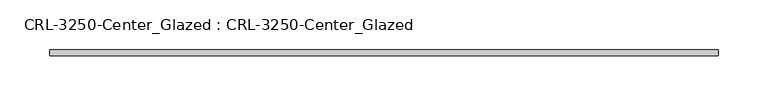
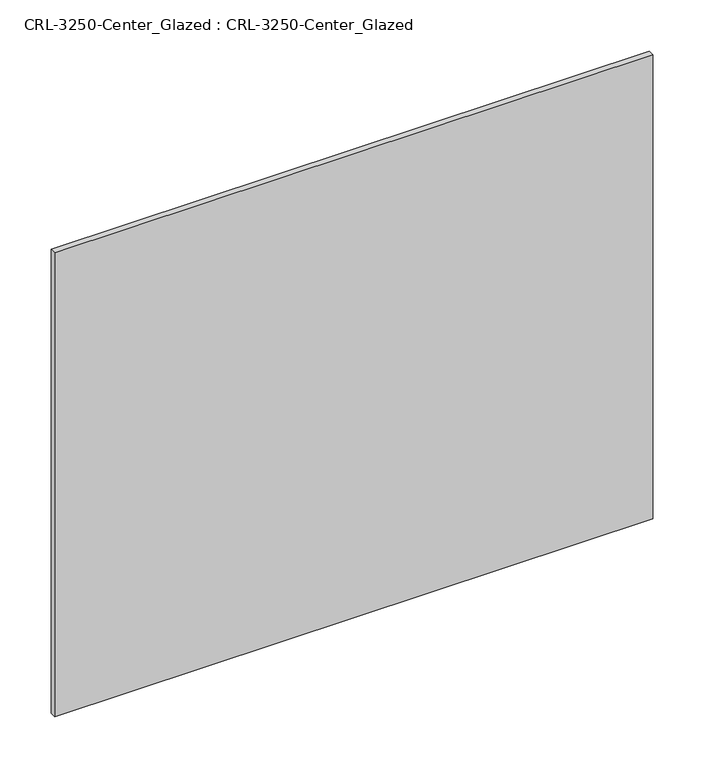
"""IFC4 building model written with IfcOpenShell, lengths in millimetres: plate geometry, CRL-3250-Center_Glazed : CRL-3250-Center_Glazed."""

import ifcopenshell
import ifcopenshell.guid

model = None  # the IFC model being written
_history = None  # IfcOwnerHistory: only IFC2X3 demands one
_inside = {}  # id of a spatial element -> (the spatial element, [elements in it])
_under = {}  # id of a project, library or spatial element -> (it, [spatial elements below it])
_declared = {}  # id of a project -> (the project, [libraries it declares])
_typed = {}  # id of a type object -> (the type object, [elements of that type])
_made_of = {}  # id of a material, layer set ... -> (it, [elements and type objects made of it])


def new_model(schema):
    """Start an empty IFC model of exactly this schema.

    Asked for "IFC4X3", IfcOpenShell would pick the latest addendum, in which some entities
    have other attributes; the version numbers below select the first issue.
    IFC2X3 requires an IfcOwnerHistory on every rooted entity: one is made here for all.
    """
    global model, _history
    if schema == "IFC4X3":
        model = ifcopenshell.file(schema_version=(4, 3, 0, 0))
    else:
        model = ifcopenshell.file(schema=schema)
    _inside.clear()
    _under.clear()
    _declared.clear()
    _typed.clear()
    _made_of.clear()
    _history = None
    if model.schema == "IFC2X3":
        org = make("IfcOrganization", Name="unknown")
        user = make(
            "IfcPersonAndOrganization",
            ThePerson=make("IfcPerson", FamilyName="unknown"),
            TheOrganization=org,
        )
        app = make(
            "IfcApplication",
            ApplicationDeveloper=org,
            Version="unknown",
            ApplicationFullName="unknown",
            ApplicationIdentifier="unknown",
        )
        _history = make(
            "IfcOwnerHistory",
            OwningUser=user,
            OwningApplication=app,
            ChangeAction="ADDED",
            CreationDate=0,
        )
    return model


def make(cls, **values):
    """One entity of the class cls with the attributes given. An attribute that is None is left unset."""
    return model.create_entity(
        cls, **{name: value for name, value in values.items() if value is not None}
    )


def rooted(cls, **values):
    """An entity with a GlobalId (a new one), such as an element, a storey or a relation."""
    return make(cls, GlobalId=ifcopenshell.guid.new(), OwnerHistory=_history, **values)


def si_unit(unit_type, name, prefix=None):
    """IfcSIUnit, for example si_unit("LENGTHUNIT", "METRE", prefix="MILLI")."""
    return make("IfcSIUnit", UnitType=unit_type, Prefix=prefix, Name=name)


def assignment(units):
    """IfcUnitAssignment: the units of a project."""
    return None if units is None else make("IfcUnitAssignment", Units=units)


def point(xyz):
    """IfcCartesianPoint."""
    return None if xyz is None else make("IfcCartesianPoint", Coordinates=xyz)


def direction(xyz):
    """IfcDirection."""
    return None if xyz is None else make("IfcDirection", DirectionRatios=xyz)


def frame(location, z_axis=None, x_axis=None):
    """IfcAxis2Placement3D, a coordinate frame: its origin and axes. An axis left out is left unset."""
    return make(
        "IfcAxis2Placement3D",
        Location=point(location),
        Axis=direction(z_axis),
        RefDirection=direction(x_axis),
    )


def origin():
    """The frame at (0, 0, 0) with its axes left unset."""
    return frame((0.0, 0.0, 0.0))


def origin_with_axes():
    """The frame at (0, 0, 0) with the z axis (0, 0, 1) and the x axis (1, 0, 0) written out."""
    return frame((0.0, 0.0, 0.0), z_axis=(0.0, 0.0, 1.0), x_axis=(1.0, 0.0, 0.0))


def place(relative_to, where):
    """IfcLocalPlacement: puts the frame where relative to a parent placement (None: the world)."""
    return make(
        "IfcLocalPlacement", PlacementRelTo=relative_to, RelativePlacement=where
    )


def context(
    kind, dimensions, precision=None, world=None, true_north=None, identifier=None
):
    """IfcGeometricRepresentationContext, for example the 3D "Model" context."""
    return make(
        "IfcGeometricRepresentationContext",
        ContextIdentifier=identifier,
        ContextType=kind,
        CoordinateSpaceDimension=dimensions,
        Precision=precision,
        WorldCoordinateSystem=world,
        TrueNorth=true_north,
    )


def project(units=None, contexts=None):
    """IfcProject with its units and contexts."""
    return rooted(
        "IfcProject",
        Name="project",
        RepresentationContexts=contexts,
        UnitsInContext=assignment(units),
    )


def spatial(cls, under=None, at=None, **own):
    """A site, building, storey or space (cls), placed at a placement, below another one or the project."""
    s = rooted(cls, ObjectPlacement=at, **own)
    if under is not None:
        _under.setdefault(under.id(), (under, []))[1].append(s)
    return s


def polyline(points):
    """IfcPolyline through the points."""
    return make("IfcPolyline", Points=[point(p) for p in points])


def outline(outer, holes=None, kind="AREA"):
    """IfcArbitraryClosedProfileDef: a profile drawn as a closed curve; with holes, ...WithVoids."""
    if holes is None:
        return make("IfcArbitraryClosedProfileDef", ProfileType=kind, OuterCurve=outer)
    return make(
        "IfcArbitraryProfileDefWithVoids",
        ProfileType=kind,
        OuterCurve=outer,
        InnerCurves=holes,
    )


def extrude(swept, where, along, depth):
    """IfcExtrudedAreaSolid: the profile swept, set in the frame where, extruded along a direction by depth."""
    return make(
        "IfcExtrudedAreaSolid",
        SweptArea=swept,
        Position=where,
        ExtrudedDirection=direction(along),
        Depth=depth,
    )


def shape(context_of_items, identifier, shape_type, items):
    """IfcShapeRepresentation: the items that make up one representation, for example the "Body"."""
    return make(
        "IfcShapeRepresentation",
        ContextOfItems=context_of_items,
        RepresentationIdentifier=identifier,
        RepresentationType=shape_type,
        Items=items,
    )


def source(mapping_origin, context_of_items, identifier, shape_type, items):
    """IfcRepresentationMap: a shape defined once, which mapped items show again and again."""
    return make(
        "IfcRepresentationMap",
        MappingOrigin=mapping_origin,
        MappedRepresentation=shape(context_of_items, identifier, shape_type, items),
    )


def transform(
    local_origin,
    x_axis=None,
    y_axis=None,
    z_axis=None,
    scale=None,
    scale2=None,
    scale3=None,
    uniform=True,
):
    """IfcCartesianTransformationOperator3D, or its non-uniform kind. x_axis, y_axis, z_axis: its Axis1, 2, 3."""
    if uniform:
        return make(
            "IfcCartesianTransformationOperator3D",
            Axis1=direction(x_axis),
            Axis2=direction(y_axis),
            LocalOrigin=point(local_origin),
            Scale=scale,
            Axis3=direction(z_axis),
        )
    return make(
        "IfcCartesianTransformationOperator3DnonUniform",
        Axis1=direction(x_axis),
        Axis2=direction(y_axis),
        LocalOrigin=point(local_origin),
        Scale=scale,
        Axis3=direction(z_axis),
        Scale2=scale2,
        Scale3=scale3,
    )


def mapped(mapping_source, mapping_target):
    """IfcMappedItem: shows the shape of a source again, moved by a transform."""
    return make(
        "IfcMappedItem", MappingSource=mapping_source, MappingTarget=mapping_target
    )


def made_of(thing, what):
    """Note that an element or type object is made of a material, layer set ...; save() writes the relation."""
    if what is not None:
        _made_of.setdefault(what.id(), (what, []))[1].append(thing)
    return thing


def element(
    cls,
    number,
    at=None,
    inside=None,
    cuts=None,
    type_object=None,
    material=None,
    context=None,
    identifier="Body",
    shape_type=None,
    held_by="IfcProductDefinitionShape",
    body=None,
    shapes=None,
    **own,
):
    """One element of the class cls, such as IfcWall. Its Tag is "e" and its number.

    at: its placement. inside: the storey or other place that contains it. cuts: it is an
    opening in that element (IfcRelVoidsElement). A single representation is given by context,
    identifier, shape_type and body (its items); several are given by shapes. held_by: the class
    of the entity that holds the representations. save() writes the other relations.
    """
    e = rooted(cls, Tag="e%d" % number, ObjectPlacement=at, **own)
    if body is not None:
        shapes = [shape(context, identifier, shape_type, body)]
    if shapes is not None:
        e.Representation = make(held_by, Representations=shapes)
    if inside is not None:
        _inside.setdefault(inside.id(), (inside, []))[1].append(e)
    if cuts is not None:
        rooted(
            "IfcRelVoidsElement", RelatingBuildingElement=cuts, RelatedOpeningElement=e
        )
    if type_object is not None:
        _typed.setdefault(type_object.id(), (type_object, []))[1].append(e)
    return made_of(e, material)


def aggregate(whole, parts):
    """IfcRelAggregates: a whole, such as a stair, and the parts it consists of."""
    return rooted("IfcRelAggregates", RelatingObject=whole, RelatedObjects=parts)


def save(model, path):
    """Write the relations noted so far, then the file.

    IfcRelAggregates (storeys below a building ...), IfcRelContainedInSpatialStructure (elements
    in a storey), IfcRelDefinesByType, IfcRelAssociatesMaterial and IfcRelDeclares: one each for
    every whole, place, type object, material and project.
    """
    for whole, parts in _under.values():
        aggregate(whole, parts)
    for where, things in _inside.values():
        rooted(
            "IfcRelContainedInSpatialStructure",
            RelatedElements=things,
            RelatingStructure=where,
        )
    for kind, things in _typed.values():
        rooted("IfcRelDefinesByType", RelatedObjects=things, RelatingType=kind)
    for what, things in _made_of.values():
        rooted("IfcRelAssociatesMaterial", RelatedObjects=things, RelatingMaterial=what)
    for by, libraries in _declared.values():
        rooted("IfcRelDeclares", RelatingContext=by, RelatedDefinitions=libraries)
    model.write(path)


def crl_3250_center_glazed_crl_3250_center_glazed_e1eab69a(model_context):
    return source(origin(), model_context, "Body", "SweptSolid", [
        extrude(outline(polyline([(336.6373191, -3.1749999), (-336.6373191, -3.1749999), (-336.6373191, 3.1749999), (336.6373191, 3.1749999), (336.6373191, -3.1749999)])), origin_with_axes(), (0.0, 0.0, 1.0), 552.4500045),
    ])


if __name__ == "__main__":
    model = new_model("IFC4")
    model_context = context("Model", 3, world=origin())
    ifc_project = project(units=[si_unit("LENGTHUNIT", "METRE", prefix="MILLI")], contexts=[model_context])
    site = spatial("IfcSite", under=ifc_project)
    building = spatial("IfcBuilding", under=site)
    placement = place(None, origin())
    crl_3250_center_glazed_crl_3250_center_glazed_shape = crl_3250_center_glazed_crl_3250_center_glazed_e1eab69a(model_context)
    element("IfcPlate", 1, ObjectType="CRL-3250-Center_Glazed : CRL-3250-Center_Glazed", at=placement, inside=building, context=model_context, shape_type="MappedRepresentation", body=[
        mapped(crl_3250_center_glazed_crl_3250_center_glazed_shape, transform((0.0, 0.0, 0.0), x_axis=(1.0, 0.0, 0.0), y_axis=(0.0, 1.0, 0.0), z_axis=(0.0, 0.0, 1.0))),
    ])
    save(model, "model.ifc")
